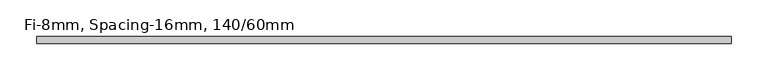
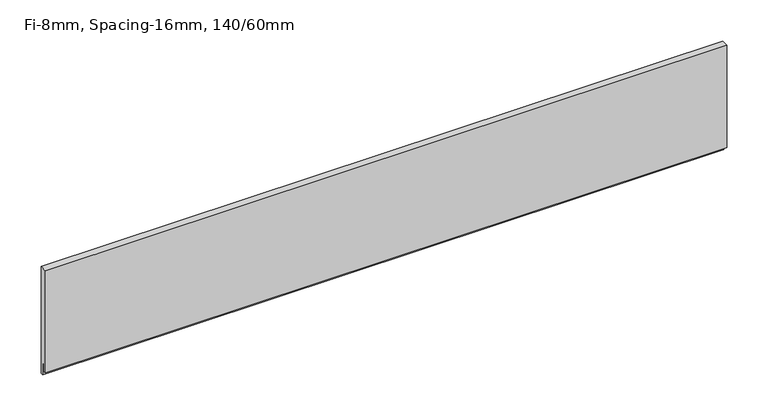
"""IFC4 building model written with IfcOpenShell, lengths in millimetres: plate geometry, Fi-8mm, Spacing-16mm, 140/60mm."""

import ifcopenshell
import ifcopenshell.guid

model = None  # the IFC model being written
_history = None  # IfcOwnerHistory: only IFC2X3 demands one
_inside = {}  # id of a spatial element -> (the spatial element, [elements in it])
_under = {}  # id of a project, library or spatial element -> (it, [spatial elements below it])
_declared = {}  # id of a project -> (the project, [libraries it declares])
_typed = {}  # id of a type object -> (the type object, [elements of that type])
_made_of = {}  # id of a material, layer set ... -> (it, [elements and type objects made of it])


def new_model(schema):
    """Start an empty IFC model of exactly this schema.

    Asked for "IFC4X3", IfcOpenShell would pick the latest addendum, in which some entities
    have other attributes; the version numbers below select the first issue.
    IFC2X3 requires an IfcOwnerHistory on every rooted entity: one is made here for all.
    """
    global model, _history
    if schema == "IFC4X3":
        model = ifcopenshell.file(schema_version=(4, 3, 0, 0))
    else:
        model = ifcopenshell.file(schema=schema)
    _inside.clear()
    _under.clear()
    _declared.clear()
    _typed.clear()
    _made_of.clear()
    _history = None
    if model.schema == "IFC2X3":
        org = make("IfcOrganization", Name="unknown")
        user = make(
            "IfcPersonAndOrganization",
            ThePerson=make("IfcPerson", FamilyName="unknown"),
            TheOrganization=org,
        )
        app = make(
            "IfcApplication",
            ApplicationDeveloper=org,
            Version="unknown",
            ApplicationFullName="unknown",
            ApplicationIdentifier="unknown",
        )
        _history = make(
            "IfcOwnerHistory",
            OwningUser=user,
            OwningApplication=app,
            ChangeAction="ADDED",
            CreationDate=0,
        )
    return model


def make(cls, **values):
    """One entity of the class cls with the attributes given. An attribute that is None is left unset."""
    return model.create_entity(
        cls, **{name: value for name, value in values.items() if value is not None}
    )


def rooted(cls, **values):
    """An entity with a GlobalId (a new one), such as an element, a storey or a relation."""
    return make(cls, GlobalId=ifcopenshell.guid.new(), OwnerHistory=_history, **values)


def si_unit(unit_type, name, prefix=None):
    """IfcSIUnit, for example si_unit("LENGTHUNIT", "METRE", prefix="MILLI")."""
    return make("IfcSIUnit", UnitType=unit_type, Prefix=prefix, Name=name)


def assignment(units):
    """IfcUnitAssignment: the units of a project."""
    return None if units is None else make("IfcUnitAssignment", Units=units)


def point(xyz):
    """IfcCartesianPoint."""
    return None if xyz is None else make("IfcCartesianPoint", Coordinates=xyz)


def direction(xyz):
    """IfcDirection."""
    return None if xyz is None else make("IfcDirection", DirectionRatios=xyz)


def frame(location, z_axis=None, x_axis=None):
    """IfcAxis2Placement3D, a coordinate frame: its origin and axes. An axis left out is left unset."""
    return make(
        "IfcAxis2Placement3D",
        Location=point(location),
        Axis=direction(z_axis),
        RefDirection=direction(x_axis),
    )


def origin():
    """The frame at (0, 0, 0) with its axes left unset."""
    return frame((0.0, 0.0, 0.0))


def place(relative_to, where):
    """IfcLocalPlacement: puts the frame where relative to a parent placement (None: the world)."""
    return make(
        "IfcLocalPlacement", PlacementRelTo=relative_to, RelativePlacement=where
    )


def context(
    kind, dimensions, precision=None, world=None, true_north=None, identifier=None
):
    """IfcGeometricRepresentationContext, for example the 3D "Model" context."""
    return make(
        "IfcGeometricRepresentationContext",
        ContextIdentifier=identifier,
        ContextType=kind,
        CoordinateSpaceDimension=dimensions,
        Precision=precision,
        WorldCoordinateSystem=world,
        TrueNorth=true_north,
    )


def project(units=None, contexts=None):
    """IfcProject with its units and contexts."""
    return rooted(
        "IfcProject",
        Name="project",
        RepresentationContexts=contexts,
        UnitsInContext=assignment(units),
    )


def spatial(cls, under=None, at=None, **own):
    """A site, building, storey or space (cls), placed at a placement, below another one or the project."""
    s = rooted(cls, ObjectPlacement=at, **own)
    if under is not None:
        _under.setdefault(under.id(), (under, []))[1].append(s)
    return s


def polyline(points):
    """IfcPolyline through the points."""
    return make("IfcPolyline", Points=[point(p) for p in points])


def outline(outer, holes=None, kind="AREA"):
    """IfcArbitraryClosedProfileDef: a profile drawn as a closed curve; with holes, ...WithVoids."""
    if holes is None:
        return make("IfcArbitraryClosedProfileDef", ProfileType=kind, OuterCurve=outer)
    return make(
        "IfcArbitraryProfileDefWithVoids",
        ProfileType=kind,
        OuterCurve=outer,
        InnerCurves=holes,
    )


def extrude(swept, where, along, depth):
    """IfcExtrudedAreaSolid: the profile swept, set in the frame where, extruded along a direction by depth."""
    return make(
        "IfcExtrudedAreaSolid",
        SweptArea=swept,
        Position=where,
        ExtrudedDirection=direction(along),
        Depth=depth,
    )


def shape(context_of_items, identifier, shape_type, items):
    """IfcShapeRepresentation: the items that make up one representation, for example the "Body"."""
    return make(
        "IfcShapeRepresentation",
        ContextOfItems=context_of_items,
        RepresentationIdentifier=identifier,
        RepresentationType=shape_type,
        Items=items,
    )


def source(mapping_origin, context_of_items, identifier, shape_type, items):
    """IfcRepresentationMap: a shape defined once, which mapped items show again and again."""
    return make(
        "IfcRepresentationMap",
        MappingOrigin=mapping_origin,
        MappedRepresentation=shape(context_of_items, identifier, shape_type, items),
    )


def transform(
    local_origin,
    x_axis=None,
    y_axis=None,
    z_axis=None,
    scale=None,
    scale2=None,
    scale3=None,
    uniform=True,
):
    """IfcCartesianTransformationOperator3D, or its non-uniform kind. x_axis, y_axis, z_axis: its Axis1, 2, 3."""
    if uniform:
        return make(
            "IfcCartesianTransformationOperator3D",
            Axis1=direction(x_axis),
            Axis2=direction(y_axis),
            LocalOrigin=point(local_origin),
            Scale=scale,
            Axis3=direction(z_axis),
        )
    return make(
        "IfcCartesianTransformationOperator3DnonUniform",
        Axis1=direction(x_axis),
        Axis2=direction(y_axis),
        LocalOrigin=point(local_origin),
        Scale=scale,
        Axis3=direction(z_axis),
        Scale2=scale2,
        Scale3=scale3,
    )


def mapped(mapping_source, mapping_target):
    """IfcMappedItem: shows the shape of a source again, moved by a transform."""
    return make(
        "IfcMappedItem", MappingSource=mapping_source, MappingTarget=mapping_target
    )


def made_of(thing, what):
    """Note that an element or type object is made of a material, layer set ...; save() writes the relation."""
    if what is not None:
        _made_of.setdefault(what.id(), (what, []))[1].append(thing)
    return thing


def element(
    cls,
    number,
    at=None,
    inside=None,
    cuts=None,
    type_object=None,
    material=None,
    context=None,
    identifier="Body",
    shape_type=None,
    held_by="IfcProductDefinitionShape",
    body=None,
    shapes=None,
    **own,
):
    """One element of the class cls, such as IfcWall. Its Tag is "e" and its number.

    at: its placement. inside: the storey or other place that contains it. cuts: it is an
    opening in that element (IfcRelVoidsElement). A single representation is given by context,
    identifier, shape_type and body (its items); several are given by shapes. held_by: the class
    of the entity that holds the representations. save() writes the other relations.
    """
    e = rooted(cls, Tag="e%d" % number, ObjectPlacement=at, **own)
    if body is not None:
        shapes = [shape(context, identifier, shape_type, body)]
    if shapes is not None:
        e.Representation = make(held_by, Representations=shapes)
    if inside is not None:
        _inside.setdefault(inside.id(), (inside, []))[1].append(e)
    if cuts is not None:
        rooted(
            "IfcRelVoidsElement", RelatingBuildingElement=cuts, RelatedOpeningElement=e
        )
    if type_object is not None:
        _typed.setdefault(type_object.id(), (type_object, []))[1].append(e)
    return made_of(e, material)


def aggregate(whole, parts):
    """IfcRelAggregates: a whole, such as a stair, and the parts it consists of."""
    return rooted("IfcRelAggregates", RelatingObject=whole, RelatedObjects=parts)


def save(model, path):
    """Write the relations noted so far, then the file.

    IfcRelAggregates (storeys below a building ...), IfcRelContainedInSpatialStructure (elements
    in a storey), IfcRelDefinesByType, IfcRelAssociatesMaterial and IfcRelDeclares: one each for
    every whole, place, type object, material and project.
    """
    for whole, parts in _under.values():
        aggregate(whole, parts)
    for where, things in _inside.values():
        rooted(
            "IfcRelContainedInSpatialStructure",
            RelatedElements=things,
            RelatingStructure=where,
        )
    for kind, things in _typed.values():
        rooted("IfcRelDefinesByType", RelatedObjects=things, RelatingType=kind)
    for what, things in _made_of.values():
        rooted("IfcRelAssociatesMaterial", RelatedObjects=things, RelatingMaterial=what)
    for by, libraries in _declared.values():
        rooted("IfcRelDeclares", RelatingContext=by, RelatedDefinitions=libraries)
    model.write(path)


def fi_8mm_spacing_16mm_140_60mm_a601750b(model_context):
    return source(origin(), model_context, "Body", "SweptSolid", [
        extrude(outline(polyline([(5.0, 151.0), (5.0, -7.0), (2.0, -7.0), (2.0, 11.0), (-1.0, 11.0), (-1.0, 0.0), (-5.0, 0.0), (-5.0, 151.0), (5.0, 151.0)])), frame((-475.5, 0.0, 0.0), z_axis=(1.0, 0.0, 0.0), x_axis=(0.0, 1.0, 0.0)), (0.0, 0.0, 1.0), 951.0),
    ])


if __name__ == "__main__":
    model = new_model("IFC4")
    model_context = context("Model", 3, world=origin())
    ifc_project = project(units=[si_unit("LENGTHUNIT", "METRE", prefix="MILLI")], contexts=[model_context])
    site = spatial("IfcSite", under=ifc_project)
    building = spatial("IfcBuilding", under=site)
    placement = place(None, origin())
    fi_8mm_spacing_16mm_140_60mm_shape = fi_8mm_spacing_16mm_140_60mm_a601750b(model_context)
    element("IfcPlate", 1, ObjectType="Fi-8mm, Spacing-16mm, 140/60mm", at=placement, inside=building, context=model_context, shape_type="MappedRepresentation", body=[
        mapped(fi_8mm_spacing_16mm_140_60mm_shape, transform((0.0, 0.0, 0.0), x_axis=(1.0, 0.0, 0.0), y_axis=(0.0, 1.0, 0.0), z_axis=(0.0, 0.0, 1.0))),
    ])
    save(model, "model.ifc")
